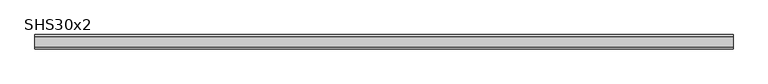
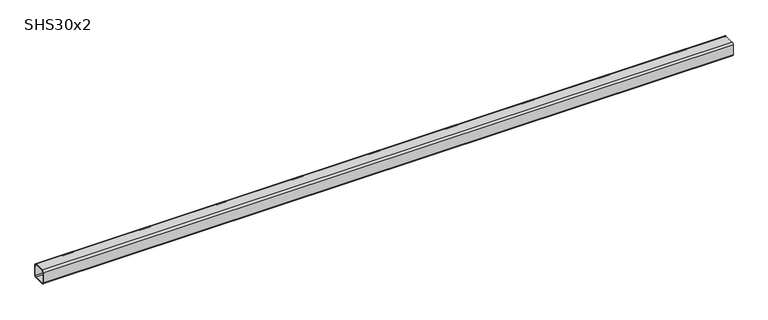
"""IFC4 building model written with IfcOpenShell, lengths in millimetres: beam geometry, SHS30x2."""

from ifc_helpers import new_model, si_unit, point, frame, frame_2d, origin, place, context, project, spatial, polyline, circle_curve, trimmed, segment, composite_curve, outline, extrude, source, transform, mapped, element, save


def shs30x2_df6abc39(model_context):
    return source(origin(), model_context, "Body", "SweptSolid", [
        extrude(outline(composite_curve([segment(polyline([(15.0, 11.0), (15.0, -11.0)]), True, "CONTINUOUS"), segment(trimmed(circle_curve(frame_2d((11.0, -11.0)), 4.0), [point((15.0, -11.0))], [point((11.0, -15.0))], False, "CARTESIAN"), True, "CONTINUOUS"), segment(polyline([(11.0, -15.0), (-11.0, -15.0)]), True, "CONTINUOUS"), segment(trimmed(circle_curve(frame_2d((-11.0, -11.0)), 4.0), [point((-11.0, -15.0))], [point((-15.0, -11.0))], False, "CARTESIAN"), True, "CONTINUOUS"), segment(polyline([(-15.0, -11.0), (-15.0, 11.0)]), True, "CONTINUOUS"), segment(trimmed(circle_curve(frame_2d((-11.0, 11.0)), 4.0), [point((-15.0, 11.0))], [point((-11.0, 15.0))], False, "CARTESIAN"), True, "CONTINUOUS"), segment(polyline([(-11.0, 15.0), (11.0, 15.0)]), True, "CONTINUOUS"), segment(trimmed(circle_curve(frame_2d((11.0, 11.0)), 4.0), [point((11.0, 15.0))], [point((15.0, 11.0))], False, "CARTESIAN"), True, "CONTINUOUS")], self_intersect=False), holes=[composite_curve([segment(trimmed(circle_curve(frame_2d((-11.0, 11.0)), 2.0), [point((-11.0, 13.0))], [point((-13.0, 11.0))], True, "CARTESIAN"), True, "CONTINUOUS"), segment(polyline([(-13.0, 11.0), (-13.0, -11.0)]), True, "CONTINUOUS"), segment(trimmed(circle_curve(frame_2d((-11.0, -11.0)), 2.0), [point((-13.0, -11.0))], [point((-11.0, -13.0))], True, "CARTESIAN"), True, "CONTINUOUS"), segment(polyline([(-11.0, -13.0), (11.0, -13.0)]), True, "CONTINUOUS"), segment(trimmed(circle_curve(frame_2d((11.0, -11.0)), 2.0), [point((11.0, -13.0))], [point((13.0, -11.0))], True, "CARTESIAN"), True, "CONTINUOUS"), segment(polyline([(13.0, -11.0), (13.0, 11.0)]), True, "CONTINUOUS"), segment(trimmed(circle_curve(frame_2d((11.0, 11.0)), 2.0), [point((13.0, 11.0))], [point((11.0, 13.0))], True, "CARTESIAN"), True, "CONTINUOUS"), segment(polyline([(11.0, 13.0), (-11.0, 13.0)]), True, "CONTINUOUS")], self_intersect=False)]), frame((-750.0, 0.0, 0.0), z_axis=(1.0, 0.0, 0.0), x_axis=(0.0, 1.0, 0.0)), (0.0, 0.0, 1.0), 1447.0),
    ])


if __name__ == "__main__":
    model = new_model("IFC4")
    model_context = context("Model", 3, world=origin())
    ifc_project = project(units=[si_unit("LENGTHUNIT", "METRE", prefix="MILLI")], contexts=[model_context])
    site = spatial("IfcSite", under=ifc_project)
    building = spatial("IfcBuilding", under=site)
    placement = place(None, origin())
    shs30x2_shape = shs30x2_df6abc39(model_context)
    element("IfcBeam", 1, ObjectType="SHS30x2", at=placement, inside=building, context=model_context, shape_type="MappedRepresentation", body=[
        mapped(shs30x2_shape, transform((0.0, 0.0, 0.0), x_axis=(1.0, 0.0, 0.0), y_axis=(0.0, 1.0, 0.0), z_axis=(0.0, 0.0, 1.0))),
    ])
    save(model, "model.ifc")
